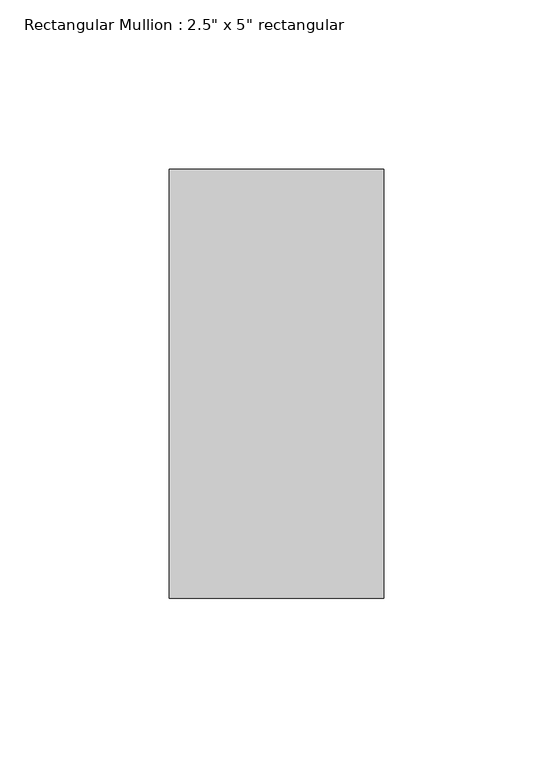
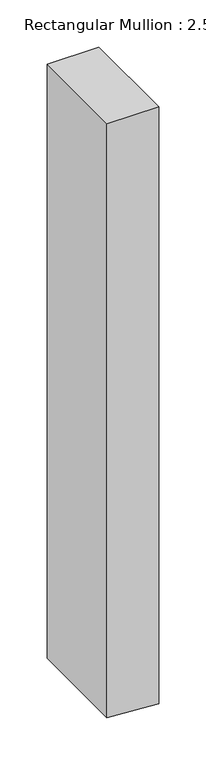
"""IFC4 building model written with IfcOpenShell, lengths in millimetres: member geometry."""

from ifc_helpers import new_model, si_unit, frame, origin, place, context, project, spatial, polyline, outline, extrude, source, transform, mapped, element, save


def member_bf69c6a0(model_context):
    return source(origin(), model_context, "Body", "SweptSolid", [
        extrude(outline(polyline([(0.0, 31.75), (0.0, -31.75), (-769.6438437, -31.75), (-772.018427, 4.1880236), (-773.8401921, 31.75), (0.0, 31.75)])), frame((0.0, -63.5, 0.0), z_axis=(0.0, 1.0, 0.0), x_axis=(0.0, 0.0, 1.0)), (0.0, 0.0, 1.0), 127.0),
    ])


if __name__ == "__main__":
    model = new_model("IFC4")
    model_context = context("Model", 3, world=origin())
    ifc_project = project(units=[si_unit("LENGTHUNIT", "METRE", prefix="MILLI")], contexts=[model_context])
    site = spatial("IfcSite", under=ifc_project)
    building = spatial("IfcBuilding", under=site)
    placement = place(None, origin())
    member_shape = member_bf69c6a0(model_context)
    element("IfcMember", 1, ObjectType="Rectangular Mullion : 2.5\" x 5\" rectangular", at=placement, inside=building, context=model_context, shape_type="MappedRepresentation", body=[
        mapped(member_shape, transform((0.0, 0.0, 0.0), x_axis=(1.0, 0.0, 0.0), y_axis=(0.0, 1.0, 0.0), z_axis=(0.0, 0.0, 1.0))),
    ])
    save(model, "model.ifc")
